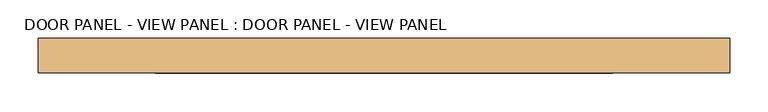
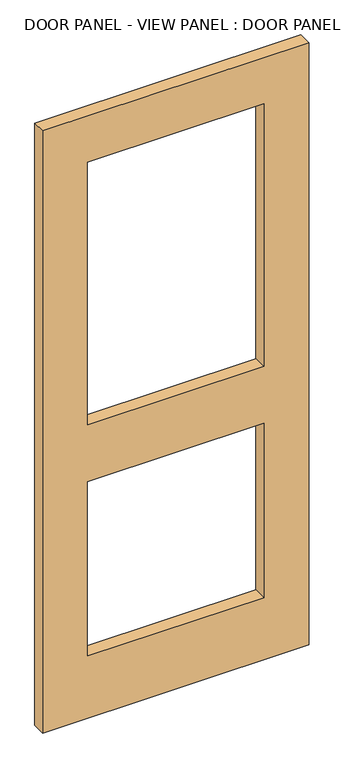
"""IFC4 building model written with IfcOpenShell, lengths in millimetres: door geometry, DOOR PANEL - VIEW PANEL : DOOR PANEL - VIEW PANEL."""

import ifcopenshell
import ifcopenshell.guid

model = None  # the IFC model being written
_history = None  # IfcOwnerHistory: only IFC2X3 demands one
_inside = {}  # id of a spatial element -> (the spatial element, [elements in it])
_under = {}  # id of a project, library or spatial element -> (it, [spatial elements below it])
_declared = {}  # id of a project -> (the project, [libraries it declares])
_typed = {}  # id of a type object -> (the type object, [elements of that type])
_made_of = {}  # id of a material, layer set ... -> (it, [elements and type objects made of it])


def new_model(schema):
    """Start an empty IFC model of exactly this schema.

    Asked for "IFC4X3", IfcOpenShell would pick the latest addendum, in which some entities
    have other attributes; the version numbers below select the first issue.
    IFC2X3 requires an IfcOwnerHistory on every rooted entity: one is made here for all.
    """
    global model, _history
    if schema == "IFC4X3":
        model = ifcopenshell.file(schema_version=(4, 3, 0, 0))
    else:
        model = ifcopenshell.file(schema=schema)
    _inside.clear()
    _under.clear()
    _declared.clear()
    _typed.clear()
    _made_of.clear()
    _history = None
    if model.schema == "IFC2X3":
        org = make("IfcOrganization", Name="unknown")
        user = make(
            "IfcPersonAndOrganization",
            ThePerson=make("IfcPerson", FamilyName="unknown"),
            TheOrganization=org,
        )
        app = make(
            "IfcApplication",
            ApplicationDeveloper=org,
            Version="unknown",
            ApplicationFullName="unknown",
            ApplicationIdentifier="unknown",
        )
        _history = make(
            "IfcOwnerHistory",
            OwningUser=user,
            OwningApplication=app,
            ChangeAction="ADDED",
            CreationDate=0,
        )
    return model


def make(cls, **values):
    """One entity of the class cls with the attributes given. An attribute that is None is left unset."""
    return model.create_entity(
        cls, **{name: value for name, value in values.items() if value is not None}
    )


def rooted(cls, **values):
    """An entity with a GlobalId (a new one), such as an element, a storey or a relation."""
    return make(cls, GlobalId=ifcopenshell.guid.new(), OwnerHistory=_history, **values)


def si_unit(unit_type, name, prefix=None):
    """IfcSIUnit, for example si_unit("LENGTHUNIT", "METRE", prefix="MILLI")."""
    return make("IfcSIUnit", UnitType=unit_type, Prefix=prefix, Name=name)


def assignment(units):
    """IfcUnitAssignment: the units of a project."""
    return None if units is None else make("IfcUnitAssignment", Units=units)


def point(xyz):
    """IfcCartesianPoint."""
    return None if xyz is None else make("IfcCartesianPoint", Coordinates=xyz)


def direction(xyz):
    """IfcDirection."""
    return None if xyz is None else make("IfcDirection", DirectionRatios=xyz)


def frame(location, z_axis=None, x_axis=None):
    """IfcAxis2Placement3D, a coordinate frame: its origin and axes. An axis left out is left unset."""
    return make(
        "IfcAxis2Placement3D",
        Location=point(location),
        Axis=direction(z_axis),
        RefDirection=direction(x_axis),
    )


def origin():
    """The frame at (0, 0, 0) with its axes left unset."""
    return frame((0.0, 0.0, 0.0))


def place(relative_to, where):
    """IfcLocalPlacement: puts the frame where relative to a parent placement (None: the world)."""
    return make(
        "IfcLocalPlacement", PlacementRelTo=relative_to, RelativePlacement=where
    )


def context(
    kind, dimensions, precision=None, world=None, true_north=None, identifier=None
):
    """IfcGeometricRepresentationContext, for example the 3D "Model" context."""
    return make(
        "IfcGeometricRepresentationContext",
        ContextIdentifier=identifier,
        ContextType=kind,
        CoordinateSpaceDimension=dimensions,
        Precision=precision,
        WorldCoordinateSystem=world,
        TrueNorth=true_north,
    )


def project(units=None, contexts=None):
    """IfcProject with its units and contexts."""
    return rooted(
        "IfcProject",
        Name="project",
        RepresentationContexts=contexts,
        UnitsInContext=assignment(units),
    )


def spatial(cls, under=None, at=None, **own):
    """A site, building, storey or space (cls), placed at a placement, below another one or the project."""
    s = rooted(cls, ObjectPlacement=at, **own)
    if under is not None:
        _under.setdefault(under.id(), (under, []))[1].append(s)
    return s


def polyline(points):
    """IfcPolyline through the points."""
    return make("IfcPolyline", Points=[point(p) for p in points])


def outline(outer, holes=None, kind="AREA"):
    """IfcArbitraryClosedProfileDef: a profile drawn as a closed curve; with holes, ...WithVoids."""
    if holes is None:
        return make("IfcArbitraryClosedProfileDef", ProfileType=kind, OuterCurve=outer)
    return make(
        "IfcArbitraryProfileDefWithVoids",
        ProfileType=kind,
        OuterCurve=outer,
        InnerCurves=holes,
    )


def extrude(swept, where, along, depth):
    """IfcExtrudedAreaSolid: the profile swept, set in the frame where, extruded along a direction by depth."""
    return make(
        "IfcExtrudedAreaSolid",
        SweptArea=swept,
        Position=where,
        ExtrudedDirection=direction(along),
        Depth=depth,
    )


def shape(context_of_items, identifier, shape_type, items):
    """IfcShapeRepresentation: the items that make up one representation, for example the "Body"."""
    return make(
        "IfcShapeRepresentation",
        ContextOfItems=context_of_items,
        RepresentationIdentifier=identifier,
        RepresentationType=shape_type,
        Items=items,
    )


def source(mapping_origin, context_of_items, identifier, shape_type, items):
    """IfcRepresentationMap: a shape defined once, which mapped items show again and again."""
    return make(
        "IfcRepresentationMap",
        MappingOrigin=mapping_origin,
        MappedRepresentation=shape(context_of_items, identifier, shape_type, items),
    )


def transform(
    local_origin,
    x_axis=None,
    y_axis=None,
    z_axis=None,
    scale=None,
    scale2=None,
    scale3=None,
    uniform=True,
):
    """IfcCartesianTransformationOperator3D, or its non-uniform kind. x_axis, y_axis, z_axis: its Axis1, 2, 3."""
    if uniform:
        return make(
            "IfcCartesianTransformationOperator3D",
            Axis1=direction(x_axis),
            Axis2=direction(y_axis),
            LocalOrigin=point(local_origin),
            Scale=scale,
            Axis3=direction(z_axis),
        )
    return make(
        "IfcCartesianTransformationOperator3DnonUniform",
        Axis1=direction(x_axis),
        Axis2=direction(y_axis),
        LocalOrigin=point(local_origin),
        Scale=scale,
        Axis3=direction(z_axis),
        Scale2=scale2,
        Scale3=scale3,
    )


def mapped(mapping_source, mapping_target):
    """IfcMappedItem: shows the shape of a source again, moved by a transform."""
    return make(
        "IfcMappedItem", MappingSource=mapping_source, MappingTarget=mapping_target
    )


def made_of(thing, what):
    """Note that an element or type object is made of a material, layer set ...; save() writes the relation."""
    if what is not None:
        _made_of.setdefault(what.id(), (what, []))[1].append(thing)
    return thing


def element(
    cls,
    number,
    at=None,
    inside=None,
    cuts=None,
    type_object=None,
    material=None,
    context=None,
    identifier="Body",
    shape_type=None,
    held_by="IfcProductDefinitionShape",
    body=None,
    shapes=None,
    **own,
):
    """One element of the class cls, such as IfcWall. Its Tag is "e" and its number.

    at: its placement. inside: the storey or other place that contains it. cuts: it is an
    opening in that element (IfcRelVoidsElement). A single representation is given by context,
    identifier, shape_type and body (its items); several are given by shapes. held_by: the class
    of the entity that holds the representations. save() writes the other relations.
    """
    e = rooted(cls, Tag="e%d" % number, ObjectPlacement=at, **own)
    if body is not None:
        shapes = [shape(context, identifier, shape_type, body)]
    if shapes is not None:
        e.Representation = make(held_by, Representations=shapes)
    if inside is not None:
        _inside.setdefault(inside.id(), (inside, []))[1].append(e)
    if cuts is not None:
        rooted(
            "IfcRelVoidsElement", RelatingBuildingElement=cuts, RelatedOpeningElement=e
        )
    if type_object is not None:
        _typed.setdefault(type_object.id(), (type_object, []))[1].append(e)
    return made_of(e, material)


def aggregate(whole, parts):
    """IfcRelAggregates: a whole, such as a stair, and the parts it consists of."""
    return rooted("IfcRelAggregates", RelatingObject=whole, RelatedObjects=parts)


def save(model, path):
    """Write the relations noted so far, then the file.

    IfcRelAggregates (storeys below a building ...), IfcRelContainedInSpatialStructure (elements
    in a storey), IfcRelDefinesByType, IfcRelAssociatesMaterial and IfcRelDeclares: one each for
    every whole, place, type object, material and project.
    """
    for whole, parts in _under.values():
        aggregate(whole, parts)
    for where, things in _inside.values():
        rooted(
            "IfcRelContainedInSpatialStructure",
            RelatedElements=things,
            RelatingStructure=where,
        )
    for kind, things in _typed.values():
        rooted("IfcRelDefinesByType", RelatedObjects=things, RelatingType=kind)
    for what, things in _made_of.values():
        rooted("IfcRelAssociatesMaterial", RelatedObjects=things, RelatingMaterial=what)
    for by, libraries in _declared.values():
        rooted("IfcRelDeclares", RelatingContext=by, RelatedDefinitions=libraries)
    model.write(path)


def door_panel_view_panel_door_panel_view_panel_234afb31(model_context):
    return source(origin(), model_context, "Body", "SweptSolid", [
        extrude(outline(polyline([(2150.0, 450.0), (2150.0, -450.0), (0.0, -450.0), (0.0, 450.0), (2150.0, 450.0)]), holes=[polyline([(844.0, 298.0), (222.0, 298.0), (222.0, -298.0), (844.0, -298.0), (844.0, 298.0)]), polyline([(1047.0, 298.0), (1047.0, -298.0), (1985.0, -298.0), (1985.0, 298.0), (1047.0, 298.0)])]), frame((0.0, -22.5, 0.0), z_axis=(0.0, 1.0, 0.0), x_axis=(0.0, 0.0, 1.0)), (0.0, 0.0, 1.0), 45.0),
    ])


if __name__ == "__main__":
    model = new_model("IFC4")
    model_context = context("Model", 3, world=origin())
    ifc_project = project(units=[si_unit("LENGTHUNIT", "METRE", prefix="MILLI")], contexts=[model_context])
    site = spatial("IfcSite", under=ifc_project)
    building = spatial("IfcBuilding", under=site)
    placement = place(None, origin())
    door_panel_view_panel_door_panel_view_panel_shape = door_panel_view_panel_door_panel_view_panel_234afb31(model_context)
    element("IfcDoor", 1, ObjectType="DOOR PANEL - VIEW PANEL : DOOR PANEL - VIEW PANEL", at=placement, inside=building, context=model_context, shape_type="MappedRepresentation", body=[
        mapped(door_panel_view_panel_door_panel_view_panel_shape, transform((0.0, 0.0, 0.0), x_axis=(1.0, 0.0, 0.0), y_axis=(0.0, 1.0, 0.0), z_axis=(0.0, 0.0, 1.0))),
    ])
    save(model, "model.ifc")
